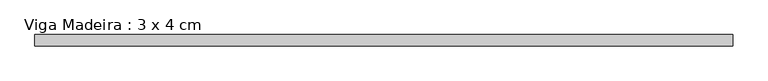
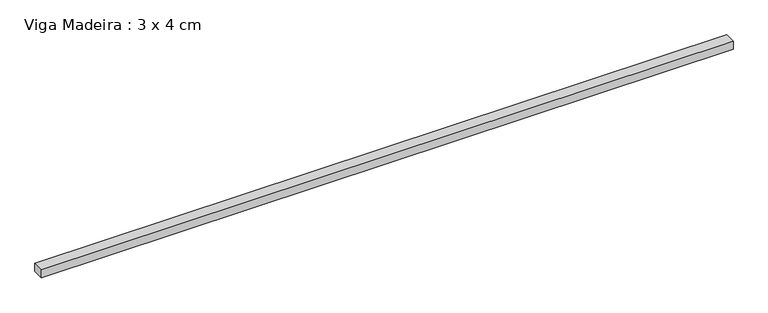
"""IFC4 building model written with IfcOpenShell, lengths in millimetres: beam geometry, Viga Madeira : 3 x 4 cm."""

from ifc_helpers import new_model, si_unit, frame, origin, place, context, project, spatial, polyline, outline, extrude, source, transform, mapped, element, save


def viga_madeira_3_x_4_cm_baf9b735(model_context):
    return source(origin(), model_context, "Body", "SweptSolid", [
        extrude(outline(polyline([(1223.444024, 20.0), (1223.444024, -20.0), (-1223.444024, -20.0), (-1223.444024, 20.0), (1223.444024, 20.0)])), frame((0.0, 0.0, -15.0), z_axis=(0.0, 0.0, 1.0), x_axis=(1.0, 0.0, 0.0)), (0.0, 0.0, 1.0), 30.0),
    ])


if __name__ == "__main__":
    model = new_model("IFC4")
    model_context = context("Model", 3, world=origin())
    ifc_project = project(units=[si_unit("LENGTHUNIT", "METRE", prefix="MILLI")], contexts=[model_context])
    site = spatial("IfcSite", under=ifc_project)
    building = spatial("IfcBuilding", under=site)
    placement = place(None, origin())
    viga_madeira_3_x_4_cm_shape = viga_madeira_3_x_4_cm_baf9b735(model_context)
    element("IfcBeam", 1, ObjectType="Viga Madeira : 3 x 4 cm", at=placement, inside=building, context=model_context, shape_type="MappedRepresentation", body=[
        mapped(viga_madeira_3_x_4_cm_shape, transform((0.0, 0.0, 0.0), x_axis=(1.0, 0.0, 0.0), y_axis=(0.0, 1.0, 0.0), z_axis=(0.0, 0.0, 1.0))),
    ])
    save(model, "model.ifc")
